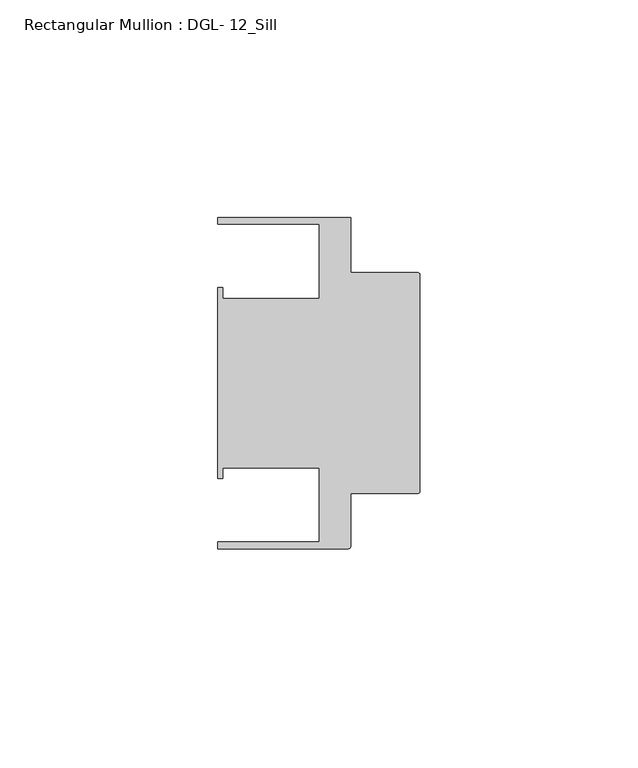
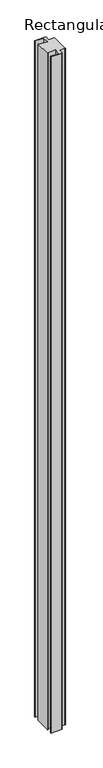
"""IFC4 building model written with IfcOpenShell, lengths in millimetres: member geometry, Rectangular Mullion : DGL- 12_Sill."""

from ifc_helpers import new_model, si_unit, point, frame, frame_2d, origin, place, context, project, spatial, polyline, circle_curve, trimmed, segment, composite_curve, outline, extrude, source, transform, mapped, element, save


def rectangular_mullion_dgl_12_sill_44babc06(model_context):
    return source(origin(), model_context, "Body", "SweptSolid", [
        extrude(outline(composite_curve([segment(trimmed(circle_curve(frame_2d((-0.5953125, 24.8046875)), 0.5953125), [point((-0.5953125, 25.4))], [point((0.0, 24.8046875))], False, "CARTESIAN"), True, "CONTINUOUS"), segment(polyline([(0.0, 24.8046875), (0.0, -24.8046875)]), True, "CONTINUOUS"), segment(trimmed(circle_curve(frame_2d((-0.5953125, -24.8046875)), 0.5953125), [point((0.0, -24.8046875))], [point((-0.5953125, -25.4))], False, "CARTESIAN"), True, "CONTINUOUS"), segment(polyline([(-0.5953125, -25.4), (-15.8750672, -25.4), (-15.8750672, -37.5047035)]), True, "CONTINUOUS"), segment(trimmed(circle_curve(frame_2d((-16.4703797, -37.5047035)), 0.5953125), [point((-15.8750672, -37.5047035))], [point((-16.4703797, -38.100016))], False, "CARTESIAN"), True, "CONTINUOUS"), segment(polyline([(-16.4703797, -38.100016), (-46.54296, -38.100016), (-46.54296, -36.512516), (-23.1202791, -36.512516), (-23.1202791, -19.4824275), (-45.2865266, -19.4824275), (-45.2865266, -21.9710976), (-46.54296, -21.9710976), (-46.54296, 21.9710976), (-45.2865266, 21.9710976), (-45.2865266, 19.4824275), (-23.1202791, 19.4824275), (-23.1202791, 36.512516), (-46.54296, 36.512516), (-46.54296, 38.0996792), (-15.8750672, 38.0996792), (-15.8750672, 25.4), (-0.5953125, 25.4)]), True, "CONTINUOUS")], self_intersect=False)), frame((0.0, 0.0, -1938.8666667), z_axis=(0.0, 0.0, 1.0), x_axis=(1.0, 0.0, 0.0)), (0.0, 0.0, 1.0), 1938.8666667),
    ])


if __name__ == "__main__":
    model = new_model("IFC4")
    model_context = context("Model", 3, world=origin())
    ifc_project = project(units=[si_unit("LENGTHUNIT", "METRE", prefix="MILLI")], contexts=[model_context])
    site = spatial("IfcSite", under=ifc_project)
    building = spatial("IfcBuilding", under=site)
    placement = place(None, origin())
    rectangular_mullion_dgl_12_sill_shape = rectangular_mullion_dgl_12_sill_44babc06(model_context)
    element("IfcMember", 1, ObjectType="Rectangular Mullion : DGL- 12_Sill", at=placement, inside=building, context=model_context, shape_type="MappedRepresentation", body=[
        mapped(rectangular_mullion_dgl_12_sill_shape, transform((0.0, 0.0, 0.0), x_axis=(1.0, 0.0, 0.0), y_axis=(0.0, 1.0, 0.0), z_axis=(0.0, 0.0, 1.0))),
    ])
    save(model, "model.ifc")
